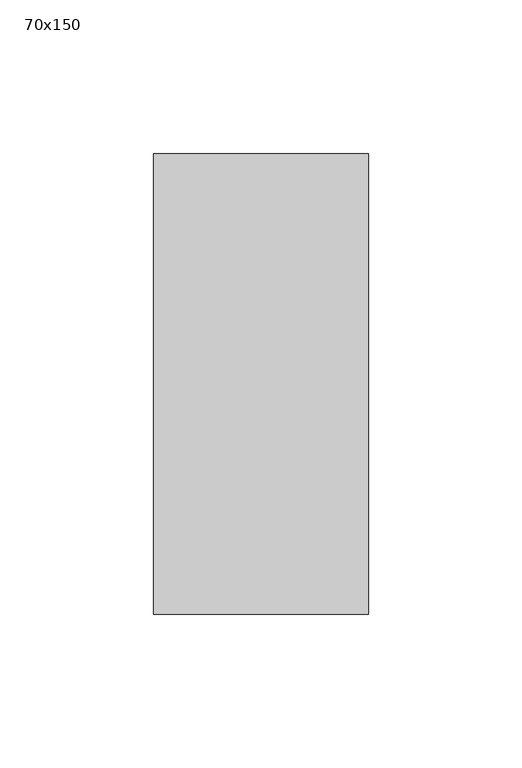
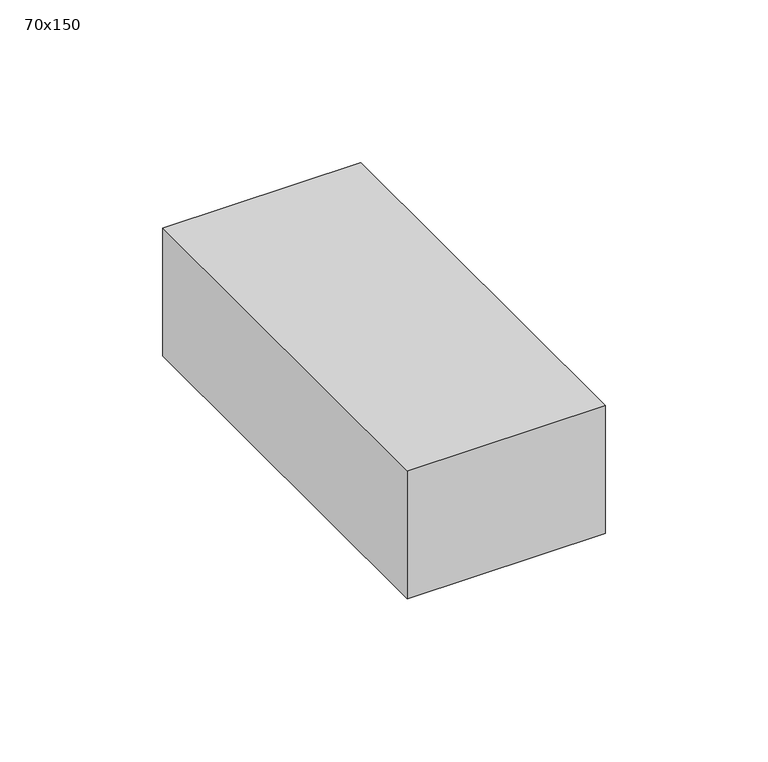
"""IFC4 building model written with IfcOpenShell, lengths in millimetres: member geometry, 70x150."""

from ifc_helpers import new_model, si_unit, frame, origin, place, context, project, spatial, polyline, outline, extrude, source, transform, mapped, element, save


def member_70x150_f7b2dcab(model_context):
    return source(origin(), model_context, "Body", "SweptSolid", [
        extrude(outline(polyline([(0.0, 75.0), (0.0, -75.0), (-70.0, -75.0), (-70.0, 75.0), (0.0, 75.0)])), frame((0.0, 0.0, -47.9428066), z_axis=(0.0, 0.0, 1.0), x_axis=(1.0, 0.0, 0.0)), (0.0, 0.0, 1.0), 47.9428066),
    ])


if __name__ == "__main__":
    model = new_model("IFC4")
    model_context = context("Model", 3, world=origin())
    ifc_project = project(units=[si_unit("LENGTHUNIT", "METRE", prefix="MILLI")], contexts=[model_context])
    site = spatial("IfcSite", under=ifc_project)
    building = spatial("IfcBuilding", under=site)
    placement = place(None, origin())
    member_70x150_shape = member_70x150_f7b2dcab(model_context)
    element("IfcMember", 1, ObjectType="70x150", at=placement, inside=building, context=model_context, shape_type="MappedRepresentation", body=[
        mapped(member_70x150_shape, transform((0.0, 0.0, 0.0), x_axis=(1.0, 0.0, 0.0), y_axis=(0.0, 1.0, 0.0), z_axis=(0.0, 0.0, 1.0))),
    ])
    save(model, "model.ifc")
